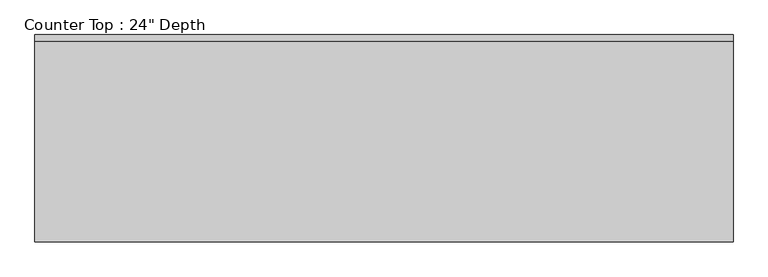
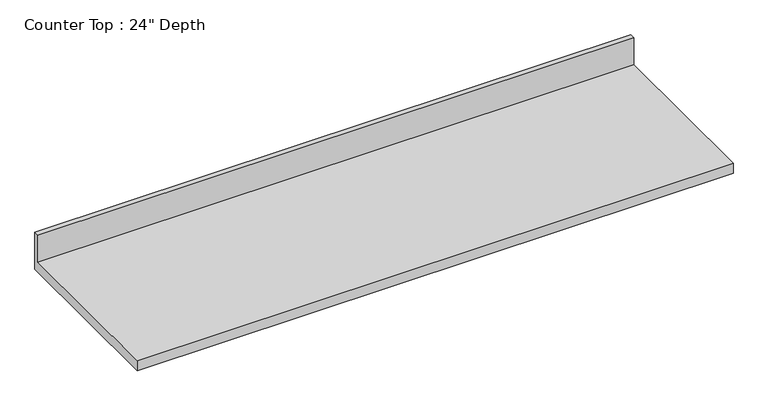
"""IFC4 building model written with IfcOpenShell, lengths in millimetres: furniture geometry."""

from ifc_helpers import new_model, si_unit, frame, origin, place, context, project, spatial, polyline, outline, extrude, source, transform, mapped, element, save


def furniture_bce6a7f1(model_context):
    return source(origin(), model_context, "Body", "SweptSolid", [
        extrude(outline(polyline([(0.0, 1016.0), (0.0, 876.3), (-635.0, 876.3), (-635.0, 914.4), (-19.05, 914.4), (-19.05, 1016.0), (0.0, 1016.0)])), frame((-1200.4622951, 0.0, 0.0), z_axis=(1.0, 0.0, 0.0), x_axis=(0.0, 1.0, 0.0)), (0.0, 0.0, 1.0), 2136.775),
    ])


if __name__ == "__main__":
    model = new_model("IFC4")
    model_context = context("Model", 3, world=origin())
    ifc_project = project(units=[si_unit("LENGTHUNIT", "METRE", prefix="MILLI")], contexts=[model_context])
    site = spatial("IfcSite", under=ifc_project)
    building = spatial("IfcBuilding", under=site)
    placement = place(None, origin())
    furniture_shape = furniture_bce6a7f1(model_context)
    element("IfcFurniture", 1, ObjectType="Counter Top : 24\" Depth", at=placement, inside=building, context=model_context, shape_type="MappedRepresentation", body=[
        mapped(furniture_shape, transform((0.0, 0.0, 0.0), x_axis=(1.0, 0.0, 0.0), y_axis=(0.0, 1.0, 0.0), z_axis=(0.0, 0.0, 1.0))),
    ])
    save(model, "model.ifc")
